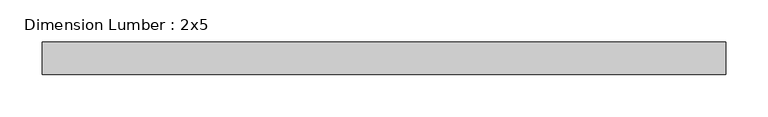
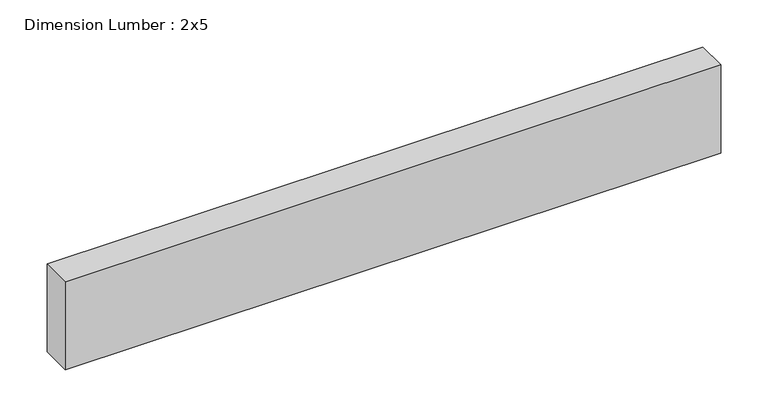
"""IFC4 building model written with IfcOpenShell, lengths in millimetres: beam geometry, Dimension Lumber : 2x5."""

from ifc_helpers import new_model, si_unit, frame, origin, place, context, project, spatial, polyline, outline, extrude, source, transform, mapped, element, save


def dimension_lumber_2x5_567079f4(model_context):
    return source(origin(), model_context, "Body", "SweptSolid", [
        extrude(outline(polyline([(402.1408109, 19.05), (402.1408109, -19.05), (-402.1408109, -19.05), (-402.1408109, 19.05), (402.1408109, 19.05)])), frame((0.0, 0.0, -57.15), z_axis=(0.0, 0.0, 1.0), x_axis=(1.0, 0.0, 0.0)), (0.0, 0.0, 1.0), 114.3),
    ])


if __name__ == "__main__":
    model = new_model("IFC4")
    model_context = context("Model", 3, world=origin())
    ifc_project = project(units=[si_unit("LENGTHUNIT", "METRE", prefix="MILLI")], contexts=[model_context])
    site = spatial("IfcSite", under=ifc_project)
    building = spatial("IfcBuilding", under=site)
    placement = place(None, origin())
    dimension_lumber_2x5_shape = dimension_lumber_2x5_567079f4(model_context)
    element("IfcBeam", 1, ObjectType="Dimension Lumber : 2x5", at=placement, inside=building, context=model_context, shape_type="MappedRepresentation", body=[
        mapped(dimension_lumber_2x5_shape, transform((0.0, 0.0, 0.0), x_axis=(1.0, 0.0, 0.0), y_axis=(0.0, 1.0, 0.0), z_axis=(0.0, 0.0, 1.0))),
    ])
    save(model, "model.ifc")
